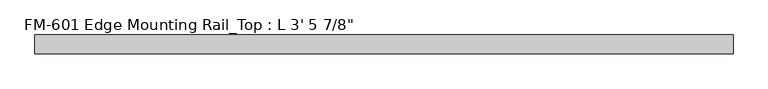
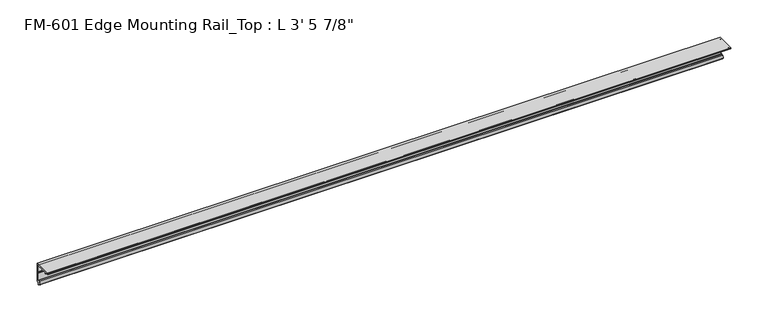
"""IFC4 building model written with IfcOpenShell, lengths in millimetres: proxy geometry."""

from ifc_helpers import new_model, si_unit, point, frame, frame_2d, origin, place, context, project, spatial, polyline, circle_curve, trimmed, segment, composite_curve, outline, extrude, source, transform, mapped, element, save


def proxy_e2661d83(model_context):
    return source(origin(), model_context, "Body", "SweptSolid", [
        extrude(outline(composite_curve([segment(trimmed(circle_curve(frame_2d((14.5481808, -29.2063136)), 3.048), [point((13.6400687, -32.1158903))], [point((11.9462301, -30.7938136))], False, "CARTESIAN"), True, "CONTINUOUS"), segment(trimmed(circle_curve(frame_2d((14.5481808, -29.2063136)), 3.048), [point((11.9462301, -30.7938136))], [point((13.6400687, -26.2967369))], False, "CARTESIAN"), True, "CONTINUOUS"), segment(polyline([(13.6400687, -26.2967369), (15.4364113, -25.7360779)]), True, "CONTINUOUS"), segment(trimmed(circle_curve(frame_2d((15.6245238, -26.2747792)), 0.5706009), [point((15.4364113, -25.7360779))], [point((16.1779173, -26.4138515))], False, "CARTESIAN"), True, "CONTINUOUS"), segment(trimmed(circle_curve(frame_2d((16.9169378, -26.5995734)), 0.762), [point((16.1779173, -26.4138515))], [point((16.9376166, -27.3612928))], True, "CARTESIAN"), True, "CONTINUOUS"), segment(trimmed(circle_curve(frame_2d((16.9545, -26.8535734)), 0.508), [point((16.9376166, -27.3612928))], [point((17.4625, -26.8535734))], True, "CARTESIAN"), True, "CONTINUOUS"), segment(polyline([(17.4625, -26.8535734), (17.4625, -15.6659614), (17.9716639, -14.7485418), (17.9716639, -13.408381), (17.4625, -12.4909614), (17.4625, -3.5152595)]), True, "CONTINUOUS"), segment(trimmed(circle_curve(frame_2d((15.5575, -3.5152595)), 1.905), [point((17.4625, -3.5152595))], [point((15.5573314, -1.6102595))], True, "CARTESIAN"), True, "CONTINUOUS"), segment(polyline([(15.5573314, -1.6102595), (5.1950157, -1.6005415)]), True, "CONTINUOUS"), segment(trimmed(circle_curve(frame_2d((3.6276133, -1.5873364)), 1.567458), [point((5.1950157, -1.6005415))], [point((2.0601553, -1.5873364))], False, "CARTESIAN"), True, "CONTINUOUS"), segment(polyline([(2.0601553, -1.5873364), (-2.4369429, -1.5873364)]), True, "CONTINUOUS"), segment(trimmed(circle_curve(frame_2d((-4.0117429, -1.5873364)), 1.5748), [point((-2.4369429, -1.5873364))], [point((-5.5865429, -1.5873364))], False, "CARTESIAN"), True, "CONTINUOUS"), segment(polyline([(-5.5865429, -1.5873364), (-9.456951, -1.5873364), (-9.456951, 0.0), (19.05, 0.0), (19.05, -29.1395734), (17.7424378, -29.1395734)]), True, "CONTINUOUS"), segment(trimmed(circle_curve(frame_2d((17.7424378, -30.7270734)), 1.5875), [point((17.7424378, -29.1395734))], [point((16.1549378, -30.7270734))], True, "CARTESIAN"), True, "CONTINUOUS"), segment(polyline([(16.1549378, -30.7270734), (16.1549378, -32.2686835)]), True, "CONTINUOUS"), segment(trimmed(circle_curve(frame_2d((15.6853088, -32.2686835)), 0.4696291), [point((16.1549378, -32.2686835))], [point((15.4750158, -32.6885982))], False, "CARTESIAN"), True, "CONTINUOUS"), segment(polyline([(15.4750158, -32.6885982), (13.6400687, -32.1158903)]), True, "CONTINUOUS")], self_intersect=False)), frame((-758.825, 0.0, 0.0), z_axis=(1.0, 0.0, 0.0), x_axis=(0.0, 1.0, 0.0)), (0.0, 0.0, 1.0), 1063.625),
    ])


if __name__ == "__main__":
    model = new_model("IFC4")
    model_context = context("Model", 3, world=origin())
    ifc_project = project(units=[si_unit("LENGTHUNIT", "METRE", prefix="MILLI")], contexts=[model_context])
    site = spatial("IfcSite", under=ifc_project)
    building = spatial("IfcBuilding", under=site)
    placement = place(None, origin())
    proxy_shape = proxy_e2661d83(model_context)
    element("IfcBuildingElementProxy", 1, Name="FM-601 Edge Mounting Rail_Top : L 3' 5 7/8\"", ObjectType="FM-601 Edge Mounting Rail_Top : L 3' 5 7/8\"", at=placement, inside=building, context=model_context, shape_type="MappedRepresentation", body=[
        mapped(proxy_shape, transform((0.0, 0.0, 0.0), x_axis=(1.0, 0.0, 0.0), y_axis=(0.0, 1.0, 0.0), z_axis=(0.0, 0.0, 1.0))),
    ])
    save(model, "model.ifc")
